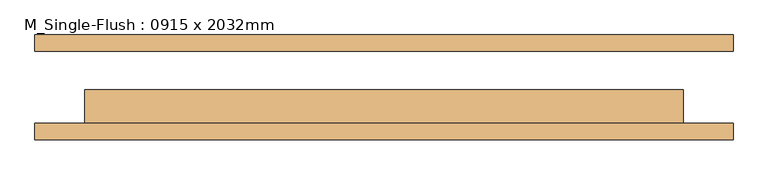
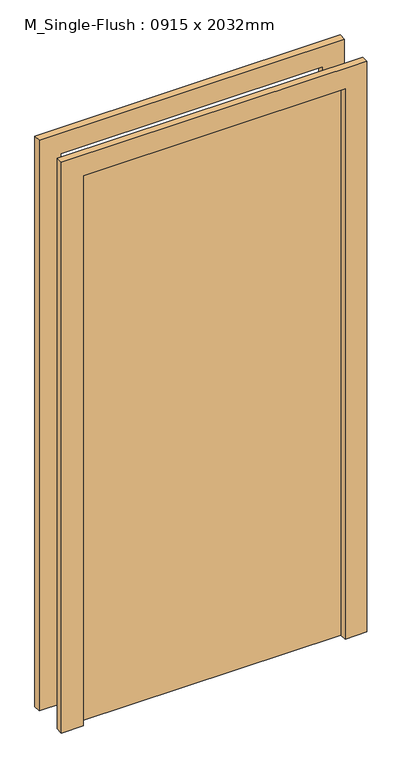
"""IFC4 building model written with IfcOpenShell, lengths in millimetres: door geometry, M_Single-Flush : 0915 x 2032mm."""

from ifc_helpers import new_model, si_unit, frame, origin, origin_with_axes, place, context, project, spatial, polyline, outline, extrude, source, transform, mapped, element, save


def m_single_flush_0915_x_2032mm_9eaf6d84(model_context):
    return source(origin(), model_context, "Body", "SweptSolid", [
        extrude(outline(polyline([(2108.0, -533.5), (0.0, -533.5), (0.0, -457.5), (2032.0, -457.5), (2032.0, 457.5), (0.0, 457.5), (0.0, 533.5), (2108.0, 533.5), (2108.0, -533.5)])), frame((0.0, -80.0, 0.0), z_axis=(0.0, 1.0, 0.0), x_axis=(0.0, 0.0, 1.0)), (0.0, 0.0, 1.0), 25.0),
        extrude(outline(polyline([(2108.0, 533.5), (2108.0, -533.5), (0.0, -533.5), (0.0, -457.5), (2032.0, -457.5), (2032.0, 457.5), (0.0, 457.5), (0.0, 533.5), (2108.0, 533.5)])), frame((0.0, 55.0, 0.0), z_axis=(0.0, 1.0, 0.0), x_axis=(0.0, 0.0, 1.0)), (0.0, 0.0, 1.0), 25.0),
        extrude(outline(polyline([(457.5, -4.0), (457.5, -55.0), (-457.5, -55.0), (-457.5, -4.0), (457.5, -4.0)])), origin_with_axes(), (0.0, 0.0, 1.0), 2032.0),
    ])


if __name__ == "__main__":
    model = new_model("IFC4")
    model_context = context("Model", 3, world=origin())
    ifc_project = project(units=[si_unit("LENGTHUNIT", "METRE", prefix="MILLI")], contexts=[model_context])
    site = spatial("IfcSite", under=ifc_project)
    building = spatial("IfcBuilding", under=site)
    placement = place(None, origin())
    m_single_flush_0915_x_2032mm_shape = m_single_flush_0915_x_2032mm_9eaf6d84(model_context)
    element("IfcDoor", 1, ObjectType="M_Single-Flush : 0915 x 2032mm", at=placement, inside=building, context=model_context, shape_type="MappedRepresentation", body=[
        mapped(m_single_flush_0915_x_2032mm_shape, transform((0.0, 0.0, 0.0), x_axis=(1.0, 0.0, 0.0), y_axis=(0.0, 1.0, 0.0), z_axis=(0.0, 0.0, 1.0))),
    ])
    save(model, "model.ifc")
